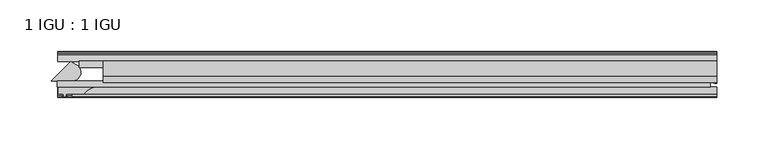
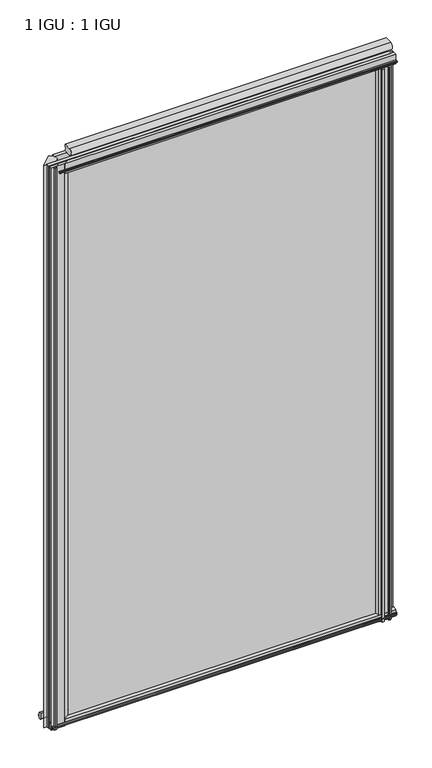
"""IFC4 building model written with IfcOpenShell, lengths in millimetres: plate geometry, 1 IGU : 1 IGU."""

from ifc_helpers import new_model, si_unit, point, frame, frame_2d, origin, place, context, project, spatial, polyline, circle_curve, ellipse_curve, trimmed, segment, composite_curve, outline, extrude, source, transform, mapped, element, save
from ifc_brep_helpers import plane_surface, cylinder_surface, revolved_surface, extruded_surface, advanced_brep


def plate_1_igu_1_igu_af17807d(model_context):
    return source(origin(), model_context, "Body", "SolidModel", [
        extrude(outline(polyline([(-321.2703126, -38.6468937), (314.3250001, -38.6468937), (314.3250001, -44.9460938), (-321.2703126, -44.9460938), (-321.2703126, -38.6468937)])), frame((0.0, 0.0, -12.7), z_axis=(0.0, 0.0, 1.0), x_axis=(1.0, 0.0, 0.0)), (0.0, 0.0, 1.0), 1106.5637371),
        extrude(outline(polyline([(-299.9382813, -19.5460937), (314.3250001, -19.5460937), (314.3250001, -25.8960938), (-299.9382813, -25.8960938), (-299.9382813, -19.5460937)])), frame((0.0, 0.0, -12.7), z_axis=(0.0, 0.0, 1.0), x_axis=(1.0, 0.0, 0.0)), (0.0, 0.0, 1.0), 1106.5637371),
        extrude(outline(composite_curve([segment(trimmed(circle_curve(frame_2d((-9.2245666, 1100.1773164)), 12.1106873), [point((-19.5460937, 1106.5125215))], [point((-19.5460937, 1093.8421112))], True, "CARTESIAN"), True, "CONTINUOUS"), segment(polyline([(-19.5460937, 1093.8421112), (-33.8757421, 1093.8421112)]), True, "CONTINUOUS"), segment(trimmed(circle_curve(frame_2d((-33.8757421, 1100.1773164)), 6.3352052), [point((-33.8757421, 1093.8421112))], [point((-33.8757421, 1106.5125215))], False, "CARTESIAN"), True, "CONTINUOUS"), segment(polyline([(-33.8757421, 1106.5125215), (-19.5460937, 1106.5125215)]), True, "CONTINUOUS")], self_intersect=False)), frame((-276.7210938, 0.0, 0.0), z_axis=(1.0, 0.0, 0.0), x_axis=(0.0, 1.0, 0.0)), (0.0, 0.0, 1.0), 597.3960939),
        extrude(outline(composite_curve([segment(trimmed(circle_curve(frame_2d((-306.7623355, -30.324123)), 8.3601973), [point((-300.5949227, -24.6800183))], [point((-305.9721542, -38.6468937))], False, "CARTESIAN"), True, "CONTINUOUS"), segment(polyline([(-305.9721542, -38.6468937), (-327.0758001, -38.6468937), (-308.346803, -19.9178967), (-303.5442302, -22.8189613)]), True, "CONTINUOUS"), segment(trimmed(circle_curve(frame_2d((-305.8354262, -29.7174148)), 7.2689917), [point((-303.5442302, -22.8189613))], [point((-300.5949227, -24.6800183))], False, "CARTESIAN"), True, "CONTINUOUS")], self_intersect=False)), frame((0.0, 0.0, -12.7), z_axis=(0.0, 0.0, 1.0), x_axis=(1.0, 0.0, 0.0)), (0.0, 0.0, 1.0), 1106.5637371),
        advanced_brep(
        [(320.6750001, -21.1709383, -12.4587), (320.6750001, -41.5384061, -12.4587), (313.1526629, -32.2460938, -12.4587), (314.3250001, -25.8452938, -12.4587), (314.3250001, -19.5460938, -12.4587), (320.6750001, -21.1709383, 1093.8637371), (314.3250001, -19.5460938, 1093.8637371), (314.3250001, -25.8452938, 1093.8637371), (313.1526629, -32.2460938, 1093.8637371), (320.6750001, -41.5384061, 1093.8637371)],
        [
            (0, 1),
            (1, 2, ellipse_curve(frame((320.6750001, -32.2460938, -12.4587), z_axis=(0.0, 0.0, -1.0), x_axis=(0.0, -1.0, 0.0)), 9.2923124, 7.5223371)),
            (2, 3, circle_curve(frame((331.2125764, -32.2460938, -12.4587), z_axis=(0.0, 0.0, -1.0), x_axis=(1.0, 0.0, 0.0)), 18.0599135)),
            (3, 4),
            (4, 0, circle_curve(frame((320.6750001, -7.950406, -12.4587), z_axis=(0.0, 0.0, 1.0), x_axis=(1.0, 0.0, 0.0)), 13.2205323)),
            (5, 6, circle_curve(frame((320.6750001, -7.950406, 1093.8637371), z_axis=(0.0, 0.0, -1.0), x_axis=(1.0, 0.0, 0.0)), 13.2205323)),
            (6, 7),
            (7, 8, circle_curve(frame((331.2125764, -32.2460938, 1093.8637371), z_axis=(0.0, 0.0, 1.0), x_axis=(1.0, 0.0, 0.0)), 18.0599135)),
            (8, 9, ellipse_curve(frame((320.6750001, -32.2460938, 1093.8637371), z_axis=(0.0, 0.0, 1.0), x_axis=(0.0, -1.0, 0.0)), 9.2923124, 7.5223371)),
            (9, 5),
            (1, 9),
            (8, 2),
            (7, 3),
            (6, 4),
            (5, 0),
        ],
        [
            plane_surface(frame((320.6750001, -13.1960938, -12.4587), z_axis=(0.0, 0.0, -1.0), x_axis=(0.0, 1.0, 0.0))),
            plane_surface(frame((320.6750001, -13.1960938, 1093.8637371), z_axis=(0.0, 0.0, 1.0), x_axis=(0.0, 1.0, 0.0))),
            extruded_surface(trimmed(ellipse_curve(frame((320.6750001, -32.2460938, 1093.8637371), z_axis=(0.0, 0.0, -1.0), x_axis=(0.0, -1.0, 0.0)), 9.2923124, 7.5223371), [point((320.6750001, -41.5384061, 1093.8637371))], [point((313.1526629, -32.2460938, 1093.8637371))], True, "CARTESIAN"), (0.0, 0.0, -1106.3224371), 1106.3224371),
            cylinder_surface(frame((331.2125764, -32.2460938, -12.4587), z_axis=(0.0, 0.0, -1.0), x_axis=(1.0, 0.0, 0.0)), 18.0599135),
            plane_surface(frame((314.3250001, -25.8452938, -12.4587), z_axis=(-1.0, 0.0, 0.0), x_axis=(0.0, 0.0, 1.0))),
            revolved_surface(polyline([(333.8955324, -7.950406, 1093.8637371), (333.8955324, -7.950406, -12.4587)]), (320.6750001, -7.950406, -12.4587), (0.0, 0.0, 1.0)),
            plane_surface(frame((320.6750001, -21.1709383, -12.4587), z_axis=(1.0, 0.0, 0.0), x_axis=(0.0, 0.0, 1.0))),
        ],
        [
            (0, [[1, 2, 3, 4, 5]]),
            (1, [[6, 7, 8, 9, 10]]),
            (2, [[-2, 11, -9, 12]]),
            (3, [[-3, -12, -8, 13]]),
            (4, [[-4, -13, -7, 14]]),
            (5, [[-5, -14, -6, 15]]),
            (6, [[-1, -15, -10, -11]]),
        ],
    ),
        extrude(outline(composite_curve([segment(polyline([(-320.3656598, -44.9460937), (-285.0054922, -44.9460937)]), True, "CONTINUOUS"), segment(trimmed(circle_curve(frame_2d((-281.8166561, -61.7346627)), 17.0887309), [point((-285.0054922, -44.9460937))], [point((-295.3466598, -51.2960937))], True, "CARTESIAN"), True, "CONTINUOUS"), segment(polyline([(-295.3466598, -51.2960937), (-312.7456598, -51.2960937), (-313.0631598, -53.4006957), (-311.844554, -53.0741712), (-311.6407598, -53.8347412), (-314.0156598, -54.4710937), (-316.3905598, -53.8347412), (-316.1867657, -53.0741712), (-314.9681598, -53.4006957), (-315.2856598, -51.2960937), (-320.3656598, -51.2960937), (-320.3656598, -44.9460937)]), True, "CONTINUOUS")], self_intersect=False)), frame((0.0, 0.0, -12.4587), z_axis=(0.0, 0.0, 1.0), x_axis=(1.0, 0.0, 0.0)), (0.0, 0.0, 1.0), 1106.0811373),
        extrude(outline(polyline([(-44.9460937, 1.7177181), (-44.9460937, -9.1036578), (-48.3496937, -11.938), (-51.2960937, -11.938), (-51.2960937, -7.493), (-53.6762907, -7.112), (-53.2163575, -8.5275291), (-54.0175717, -8.5275291), (-54.7250937, -6.35), (-54.0175717, -4.1724709), (-53.2163575, -4.1724709), (-53.6762907, -5.588), (-51.2960937, -5.207), (-51.2960937, 0.0), (-44.9460937, 1.7177181)])), frame((-320.6750001, 0.0, 0.0), z_axis=(1.0, 0.0, 0.0), x_axis=(0.0, 1.0, 0.0)), (0.0, 0.0, 1.0), 641.3500002),
        extrude(outline(polyline([(-13.1960937, -12.4587), (-16.1424937, -12.4587), (-19.5460937, -9.6243578), (-19.5460937, 1.1970181), (-13.1960937, -0.5207), (-13.1960937, -5.7277), (-10.8158968, -6.1087), (-11.27583, -4.6931709), (-10.4746158, -4.6931709), (-9.7670937, -6.8707), (-10.4746158, -9.0482291), (-11.27583, -9.0482291), (-10.8158968, -7.6327), (-13.1960937, -8.0137), (-13.1960937, -12.4587)])), frame((-320.6750001, 0.0, 0.0), z_axis=(1.0, 0.0, 0.0), x_axis=(0.0, 1.0, 0.0)), (0.0, 0.0, 1.0), 641.3500002),
        extrude(outline(composite_curve([segment(polyline([(-44.9380025, 1074.7258348), (-51.2960937, 1074.7258348), (-51.2960937, 1079.5518348), (-54.1955564, 1079.5518348), (-54.8194621, 1080.5291272)]), True, "CONTINUOUS"), segment(trimmed(circle_curve(frame_2d((-53.9630937, 1081.0758348)), 1.016), [point((-54.8194621, 1080.5291272))], [point((-54.8194621, 1081.6225424))], False, "CARTESIAN"), True, "CONTINUOUS"), segment(polyline([(-54.8194621, 1081.6225424), (-54.1955564, 1082.5998348), (-51.2878033, 1082.5998348), (-51.2916866, 1093.7645183), (-44.9380025, 1093.7645183), (-44.9380025, 1074.7258348)]), True, "CONTINUOUS")], self_intersect=False)), frame((-306.7305752, 0.0, 0.0), z_axis=(1.0, 0.0, 0.0), x_axis=(0.0, 1.0, 0.0)), (0.0, 0.0, 1.0), 627.4055753),
        extrude(outline(composite_curve([segment(polyline([(311.1500002, -44.9460938), (311.1500002, -51.2960938), (309.4990002, -51.2960938), (309.4990002, -52.9470938), (310.576631, -52.9470938)]), True, "CONTINUOUS"), segment(trimmed(circle_curve(frame_2d((309.4990002, -52.9470938)), 1.0776307), [point((310.576631, -52.9470938))], [point((310.2610002, -53.7090938))], False, "CARTESIAN"), True, "CONTINUOUS"), segment(polyline([(310.2610002, -53.7090938), (308.5217078, -54.8194621)]), True, "CONTINUOUS"), segment(trimmed(circle_curve(frame_2d((307.9750002, -53.9630938)), 1.016), [point((308.5217078, -54.8194621))], [point((307.4282926, -54.8194621))], False, "CARTESIAN"), True, "CONTINUOUS"), segment(polyline([(307.4282926, -54.8194621), (305.6890002, -53.7090938)]), True, "CONTINUOUS"), segment(trimmed(circle_curve(frame_2d((306.4510002, -52.9470938)), 1.0776307), [point((305.6890002, -53.7090938))], [point((305.3733695, -52.9470938))], False, "CARTESIAN"), True, "CONTINUOUS"), segment(polyline([(305.3733695, -52.9470938), (306.4510002, -52.9470938), (306.4510002, -51.2960938), (297.3832002, -51.2960938)]), True, "CONTINUOUS"), segment(trimmed(circle_curve(frame_2d((297.3832002, -51.7532938)), 0.4572), [point((297.3832002, -51.2960938))], [point((297.0443824, -52.0602698))], True, "CARTESIAN"), True, "CONTINUOUS"), segment(trimmed(circle_curve(frame_2d((295.2750002, -53.663367)), 2.3876), [point((297.0443824, -52.0602698))], [point((297.3456432, -54.8520938))], False, "CARTESIAN"), True, "CONTINUOUS"), segment(polyline([(297.3456432, -54.8520938), (293.2043572, -54.8520938)]), True, "CONTINUOUS"), segment(trimmed(circle_curve(frame_2d((295.2750002, -53.663367)), 2.3876), [point((293.2043572, -54.8520938))], [point((293.5056181, -52.0602698))], False, "CARTESIAN"), True, "CONTINUOUS"), segment(trimmed(circle_curve(frame_2d((293.1668002, -51.7532938)), 0.4572), [point((293.5056181, -52.0602698))], [point((293.1668002, -51.2960938))], True, "CARTESIAN"), True, "CONTINUOUS"), segment(polyline([(293.1668002, -51.2960938), (288.9250002, -51.2960938)]), True, "CONTINUOUS"), segment(trimmed(circle_curve(frame_2d((279.9090688, -51.9750196)), 9.0414579), [point((288.9250002, -51.2960938))], [point((285.5960857, -44.9460938))], True, "CARTESIAN"), True, "CONTINUOUS"), segment(polyline([(285.5960857, -44.9460938), (311.1500002, -44.9460938)]), True, "CONTINUOUS")], self_intersect=False)), frame((0.0, 0.0, -12.7), z_axis=(0.0, 0.0, 1.0), x_axis=(1.0, 0.0, 0.0)), (0.0, 0.0, 1.0), 1087.5137371),
    ])


if __name__ == "__main__":
    model = new_model("IFC4")
    model_context = context("Model", 3, world=origin())
    ifc_project = project(units=[si_unit("LENGTHUNIT", "METRE", prefix="MILLI")], contexts=[model_context])
    site = spatial("IfcSite", under=ifc_project)
    building = spatial("IfcBuilding", under=site)
    placement = place(None, origin())
    plate_1_igu_1_igu_shape = plate_1_igu_1_igu_af17807d(model_context)
    element("IfcPlate", 1, ObjectType="1 IGU : 1 IGU", at=placement, inside=building, context=model_context, shape_type="MappedRepresentation", body=[
        mapped(plate_1_igu_1_igu_shape, transform((0.0, 0.0, 0.0), x_axis=(1.0, 0.0, 0.0), y_axis=(0.0, 1.0, 0.0), z_axis=(0.0, 0.0, 1.0))),
    ])
    save(model, "model.ifc")
